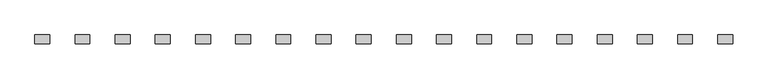
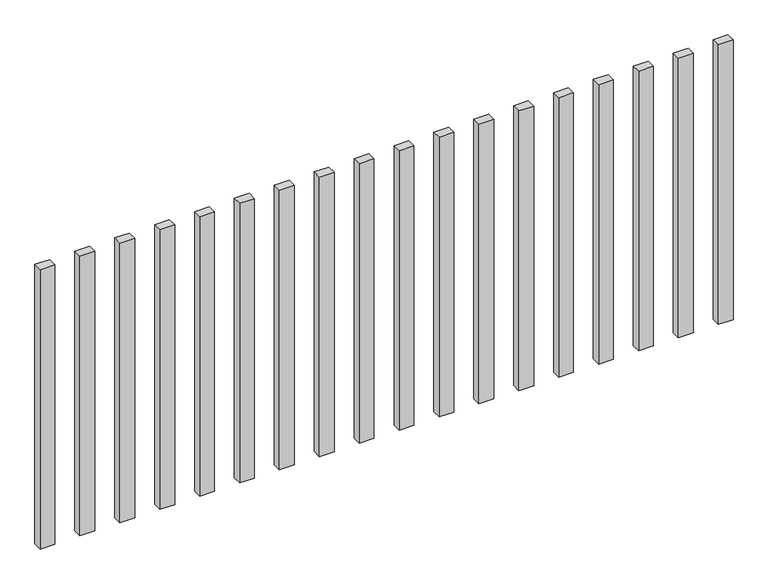
"""IFC4 building model written with IfcOpenShell, lengths in millimetres: railing geometry."""

from ifc_helpers import new_model, si_unit, origin, origin_with_axes, place, context, project, spatial, polyline, outline, extrude, source, transform, mapped, element, save


def railing_cdd21dc9(model_context):
    return source(origin(), model_context, "Body", "SweptSolid", [
        extrude(outline(polyline([(-1107.5700772, -88944.0267127), (-1107.5700772, -88914.0267127), (-1057.5700772, -88914.0267127), (-1057.5700772, -88944.0267127), (-1107.5700772, -88944.0267127)])), origin_with_axes(), (0.0, 0.0, 1.0), 1000.0),
        extrude(outline(polyline([(-1242.5700772, -88944.0267127), (-1242.5700772, -88914.0267127), (-1192.5700772, -88914.0267127), (-1192.5700772, -88944.0267127), (-1242.5700772, -88944.0267127)])), origin_with_axes(), (0.0, 0.0, 1.0), 1000.0),
        extrude(outline(polyline([(-1377.5700772, -88944.0267127), (-1377.5700772, -88914.0267127), (-1327.5700772, -88914.0267127), (-1327.5700772, -88944.0267127), (-1377.5700772, -88944.0267127)])), origin_with_axes(), (0.0, 0.0, 1.0), 1000.0),
        extrude(outline(polyline([(-1512.5700772, -88944.0267127), (-1512.5700772, -88914.0267127), (-1462.5700772, -88914.0267127), (-1462.5700772, -88944.0267127), (-1512.5700772, -88944.0267127)])), origin_with_axes(), (0.0, 0.0, 1.0), 1000.0),
        extrude(outline(polyline([(-1647.5700772, -88944.0267127), (-1647.5700772, -88914.0267127), (-1597.5700772, -88914.0267127), (-1597.5700772, -88944.0267127), (-1647.5700772, -88944.0267127)])), origin_with_axes(), (0.0, 0.0, 1.0), 1000.0),
        extrude(outline(polyline([(-1782.5700772, -88944.0267127), (-1782.5700772, -88914.0267127), (-1732.5700772, -88914.0267127), (-1732.5700772, -88944.0267127), (-1782.5700772, -88944.0267127)])), origin_with_axes(), (0.0, 0.0, 1.0), 1000.0),
        extrude(outline(polyline([(-1917.5700772, -88944.0267127), (-1917.5700772, -88914.0267127), (-1867.5700772, -88914.0267127), (-1867.5700772, -88944.0267127), (-1917.5700772, -88944.0267127)])), origin_with_axes(), (0.0, 0.0, 1.0), 1000.0),
        extrude(outline(polyline([(-2052.5700772, -88944.0267127), (-2052.5700772, -88914.0267127), (-2002.5700772, -88914.0267127), (-2002.5700772, -88944.0267127), (-2052.5700772, -88944.0267127)])), origin_with_axes(), (0.0, 0.0, 1.0), 1000.0),
        extrude(outline(polyline([(-2187.5700772, -88944.0267127), (-2187.5700772, -88914.0267127), (-2137.5700772, -88914.0267127), (-2137.5700772, -88944.0267127), (-2187.5700772, -88944.0267127)])), origin_with_axes(), (0.0, 0.0, 1.0), 1000.0),
        extrude(outline(polyline([(-2322.5700772, -88944.0267127), (-2322.5700772, -88914.0267127), (-2272.5700772, -88914.0267127), (-2272.5700772, -88944.0267127), (-2322.5700772, -88944.0267127)])), origin_with_axes(), (0.0, 0.0, 1.0), 1000.0),
        extrude(outline(polyline([(-2457.5700772, -88944.0267127), (-2457.5700772, -88914.0267127), (-2407.5700772, -88914.0267127), (-2407.5700772, -88944.0267127), (-2457.5700772, -88944.0267127)])), origin_with_axes(), (0.0, 0.0, 1.0), 1000.0),
        extrude(outline(polyline([(-2592.5700772, -88944.0267127), (-2592.5700772, -88914.0267127), (-2542.5700772, -88914.0267127), (-2542.5700772, -88944.0267127), (-2592.5700772, -88944.0267127)])), origin_with_axes(), (0.0, 0.0, 1.0), 1000.0),
        extrude(outline(polyline([(-2727.5700772, -88944.0267127), (-2727.5700772, -88914.0267127), (-2677.5700772, -88914.0267127), (-2677.5700772, -88944.0267127), (-2727.5700772, -88944.0267127)])), origin_with_axes(), (0.0, 0.0, 1.0), 1000.0),
        extrude(outline(polyline([(-2862.5700772, -88944.0267127), (-2862.5700772, -88914.0267127), (-2812.5700772, -88914.0267127), (-2812.5700772, -88944.0267127), (-2862.5700772, -88944.0267127)])), origin_with_axes(), (0.0, 0.0, 1.0), 1000.0),
        extrude(outline(polyline([(-2997.5700772, -88944.0267127), (-2997.5700772, -88914.0267127), (-2947.5700772, -88914.0267127), (-2947.5700772, -88944.0267127), (-2997.5700772, -88944.0267127)])), origin_with_axes(), (0.0, 0.0, 1.0), 1000.0),
        extrude(outline(polyline([(-3132.5700772, -88944.0267127), (-3132.5700772, -88914.0267127), (-3082.5700772, -88914.0267127), (-3082.5700772, -88944.0267127), (-3132.5700772, -88944.0267127)])), origin_with_axes(), (0.0, 0.0, 1.0), 1000.0),
        extrude(outline(polyline([(-3267.5700772, -88944.0267127), (-3267.5700772, -88914.0267127), (-3217.5700772, -88914.0267127), (-3217.5700772, -88944.0267127), (-3267.5700772, -88944.0267127)])), origin_with_axes(), (0.0, 0.0, 1.0), 1000.0),
        extrude(outline(polyline([(-3402.5700772, -88944.0267127), (-3402.5700772, -88914.0267127), (-3352.5700772, -88914.0267127), (-3352.5700772, -88944.0267127), (-3402.5700772, -88944.0267127)])), origin_with_axes(), (0.0, 0.0, 1.0), 1000.0),
    ])


if __name__ == "__main__":
    model = new_model("IFC4")
    model_context = context("Model", 3, world=origin())
    ifc_project = project(units=[si_unit("LENGTHUNIT", "METRE", prefix="MILLI")], contexts=[model_context])
    site = spatial("IfcSite", under=ifc_project)
    building = spatial("IfcBuilding", under=site)
    placement = place(None, origin())
    railing_shape = railing_cdd21dc9(model_context)
    element("IfcRailing", 1, at=placement, inside=building, context=model_context, shape_type="MappedRepresentation", body=[
        mapped(railing_shape, transform((0.0, 0.0, 0.0), x_axis=(1.0, 0.0, 0.0), y_axis=(0.0, 1.0, 0.0), z_axis=(0.0, 0.0, 1.0))),
    ])
    save(model, "model.ifc")
